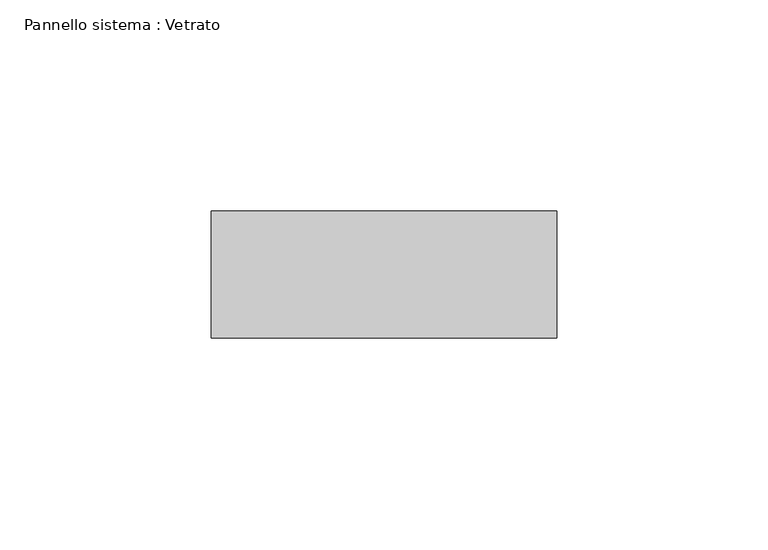
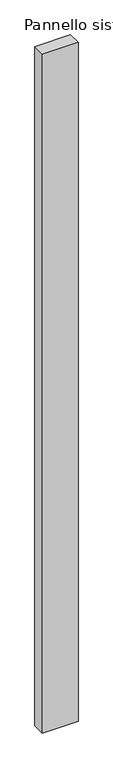
"""IFC4 building model written with IfcOpenShell, lengths in millimetres: plate geometry, Pannello sistema : Vetrato."""

from ifc_helpers import new_model, si_unit, origin, origin_with_axes, place, context, project, spatial, polyline, outline, extrude, source, transform, mapped, element, save


def pannello_sistema_vetrato_836edd33(model_context):
    return source(origin(), model_context, "Body", "SweptSolid", [
        extrude(outline(polyline([(40.8837017, -15.0), (-40.8837017, -15.0), (-40.8837017, 15.0), (40.8837017, 15.0), (40.8837017, -15.0)])), origin_with_axes(), (0.0, 0.0, 1.0), 1650.0),
    ])


if __name__ == "__main__":
    model = new_model("IFC4")
    model_context = context("Model", 3, world=origin())
    ifc_project = project(units=[si_unit("LENGTHUNIT", "METRE", prefix="MILLI")], contexts=[model_context])
    site = spatial("IfcSite", under=ifc_project)
    building = spatial("IfcBuilding", under=site)
    placement = place(None, origin())
    pannello_sistema_vetrato_shape = pannello_sistema_vetrato_836edd33(model_context)
    element("IfcPlate", 1, ObjectType="Pannello sistema : Vetrato", at=placement, inside=building, context=model_context, shape_type="MappedRepresentation", body=[
        mapped(pannello_sistema_vetrato_shape, transform((0.0, 0.0, 0.0), x_axis=(1.0, 0.0, 0.0), y_axis=(0.0, 1.0, 0.0), z_axis=(0.0, 0.0, 1.0))),
    ])
    save(model, "model.ifc")
